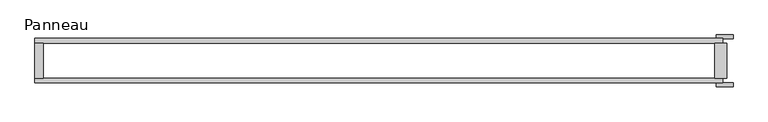
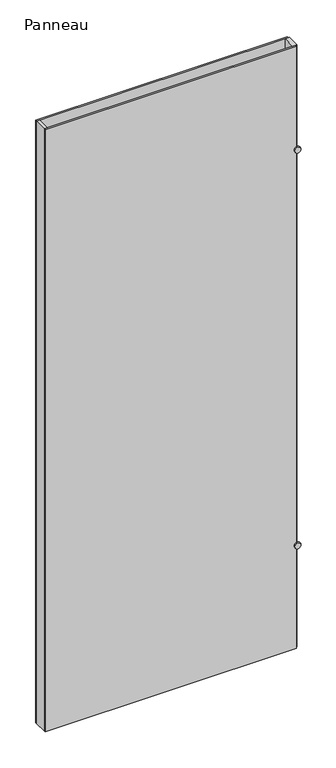
"""IFC4 building model written with IfcOpenShell, lengths in millimetres: plate geometry, Panneau."""

from ifc_helpers import new_model, si_unit, point, frame, frame_2d, origin, origin_with_axes, place, context, project, spatial, polyline, circle_curve, trimmed, segment, composite_curve, outline, extrude, source, transform, mapped, element, save


def panneau_e2716ae5(model_context):
    return source(origin(), model_context, "Body", "SweptSolid", [
        extrude(outline(composite_curve([segment(trimmed(circle_curve(frame_2d((500.0, 576.2142858)), 14.0), [point((500.0, 562.2142858))], [point((500.0, 590.2142858))], False, "CARTESIAN"), True, "CONTINUOUS"), segment(trimmed(circle_curve(frame_2d((500.0, 576.2142858)), 14.0), [point((500.0, 590.2142858))], [point((500.0, 562.2142858))], False, "CARTESIAN"), True, "CONTINUOUS")], self_intersect=False)), frame((0.0, 37.2, 0.0), z_axis=(0.0, 1.0, 0.0), x_axis=(0.0, 0.0, 1.0)), (0.0, 0.0, 1.0), 6.0),
        extrude(outline(composite_curve([segment(trimmed(circle_curve(frame_2d((2415.0, 576.2142858)), 14.0), [point((2415.0, 562.2142858))], [point((2415.0, 590.2142858))], False, "CARTESIAN"), True, "CONTINUOUS"), segment(trimmed(circle_curve(frame_2d((2415.0, 576.2142858)), 14.0), [point((2415.0, 590.2142858))], [point((2415.0, 562.2142858))], False, "CARTESIAN"), True, "CONTINUOUS")], self_intersect=False)), frame((0.0, 37.2, 0.0), z_axis=(0.0, 1.0, 0.0), x_axis=(0.0, 0.0, 1.0)), (0.0, 0.0, 1.0), 6.0),
        extrude(outline(composite_curve([segment(trimmed(circle_curve(frame_2d((2415.0, 576.2142858)), 14.0), [point((2415.0, 562.2142858))], [point((2415.0, 590.2142858))], False, "CARTESIAN"), True, "CONTINUOUS"), segment(trimmed(circle_curve(frame_2d((2415.0, 576.2142858)), 14.0), [point((2415.0, 590.2142858))], [point((2415.0, 562.2142858))], False, "CARTESIAN"), True, "CONTINUOUS")], self_intersect=False)), frame((0.0, -43.2, 0.0), z_axis=(0.0, 1.0, 0.0), x_axis=(0.0, 0.0, 1.0)), (0.0, 0.0, 1.0), 6.0),
        extrude(outline(composite_curve([segment(trimmed(circle_curve(frame_2d((500.0, 576.2142858)), 14.0), [point((500.0, 562.2142858))], [point((500.0, 590.2142858))], False, "CARTESIAN"), True, "CONTINUOUS"), segment(trimmed(circle_curve(frame_2d((500.0, 576.2142858)), 14.0), [point((500.0, 590.2142858))], [point((500.0, 562.2142858))], False, "CARTESIAN"), True, "CONTINUOUS")], self_intersect=False)), frame((0.0, -43.2, 0.0), z_axis=(0.0, 1.0, 0.0), x_axis=(0.0, 0.0, 1.0)), (0.0, 0.0, 1.0), 6.0),
        extrude(outline(polyline([(-565.2142858, 29.2), (-565.2142858, -29.2), (-579.2142858, -29.2), (-579.2142858, 29.2), (-565.2142858, 29.2)])), origin_with_axes(), (0.0, 0.0, 1.0), 2915.0),
        extrude(outline(polyline([(579.2142858, 29.2), (579.2142858, -29.2), (559.2142858, -29.2), (559.2142858, 29.2), (579.2142858, 29.2)])), origin_with_axes(), (0.0, 0.0, 1.0), 2915.0),
        extrude(outline(polyline([(573.2142858, 29.2), (-579.2142858, 29.2), (-579.2142858, 37.2), (573.2142858, 37.2), (573.2142858, 29.2)])), origin_with_axes(), (0.0, 0.0, 1.0), 2915.0),
        extrude(outline(polyline([(-579.2142858, -37.2), (-579.2142858, -29.2), (573.2142858, -29.2), (573.2142858, -37.2), (-579.2142858, -37.2)])), origin_with_axes(), (0.0, 0.0, 1.0), 2915.0),
    ])


if __name__ == "__main__":
    model = new_model("IFC4")
    model_context = context("Model", 3, world=origin())
    ifc_project = project(units=[si_unit("LENGTHUNIT", "METRE", prefix="MILLI")], contexts=[model_context])
    site = spatial("IfcSite", under=ifc_project)
    building = spatial("IfcBuilding", under=site)
    placement = place(None, origin())
    panneau_shape = panneau_e2716ae5(model_context)
    element("IfcPlate", 1, ObjectType="Panneau", at=placement, inside=building, context=model_context, shape_type="MappedRepresentation", body=[
        mapped(panneau_shape, transform((0.0, 0.0, 0.0), x_axis=(1.0, 0.0, 0.0), y_axis=(0.0, 1.0, 0.0), z_axis=(0.0, 0.0, 1.0))),
    ])
    save(model, "model.ifc")
